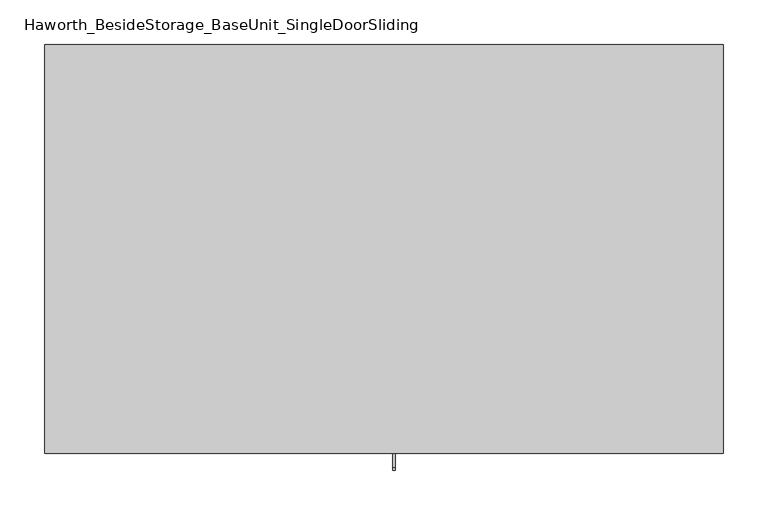
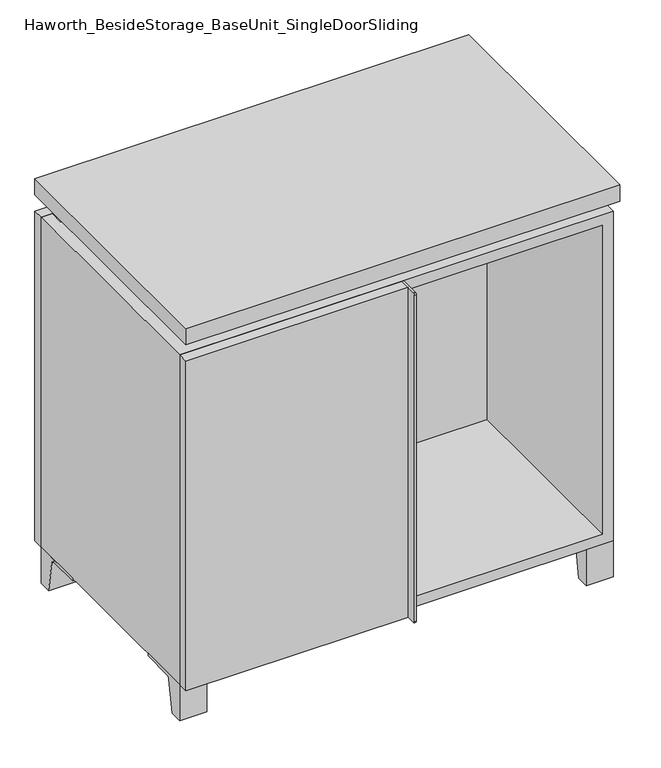
"""IFC4 building model written with IfcOpenShell, lengths in millimetres: furniture geometry, Haworth_BesideStorage_BaseUnit_SingleDoorSliding."""

from ifc_helpers import new_model, si_unit, point, frame, frame_2d, origin, place, context, project, spatial, polyline, circle_curve, trimmed, segment, composite_curve, outline, extrude, faceted_brep, source, transform, mapped, element, save


def haworth_besidestorage_baseunit_singledoorsliding_6c983d45(model_context):
    return source(origin(), model_context, "Body", "SolidModel", [
        extrude(outline(composite_curve([segment(polyline([(-123.2958469, 0.0), (-146.05, 0.0), (-146.05, 66.675), (-50.8, 66.675), (-50.8, 61.8963321), (-107.6005345, 61.8963321)]), True, "CONTINUOUS"), segment(trimmed(circle_curve(frame_2d((-107.6005345, 55.5463321)), 6.35), [point((-107.6005345, 61.8963321))], [point((-113.8641359, 56.5902656))], True, "CARTESIAN"), True, "CONTINUOUS"), segment(polyline([(-113.8641359, 56.5902656), (-123.2958469, 0.0)]), True, "CONTINUOUS")], self_intersect=False)), frame((331.8013906, 0.0, 0.0), z_axis=(1.0, 0.0, 0.0), x_axis=(0.0, 1.0, 0.0)), (0.0, 0.0, 1.0), 47.625),
        extrude(outline(composite_curve([segment(polyline([(250.2958469, 0.0), (240.8641359, 56.5902656)]), True, "CONTINUOUS"), segment(trimmed(circle_curve(frame_2d((234.6005345, 55.5463321)), 6.35), [point((240.8641359, 56.5902656))], [point((234.6005345, 61.8963321))], True, "CARTESIAN"), True, "CONTINUOUS"), segment(polyline([(234.6005345, 61.8963321), (177.8, 61.8963321), (177.8, 66.675), (273.05, 66.675), (273.05, 0.0), (250.2958469, 0.0)]), True, "CONTINUOUS")], self_intersect=False)), frame((331.8013906, 0.0, 0.0), z_axis=(1.0, 0.0, 0.0), x_axis=(0.0, 1.0, 0.0)), (0.0, 0.0, 1.0), 47.625),
        extrude(outline(composite_curve([segment(polyline([(-123.2958469, 0.0), (-146.05, 0.0), (-146.05, 66.675), (-50.8, 66.675), (-50.8, 61.8963321), (-107.6005345, 61.8963321)]), True, "CONTINUOUS"), segment(trimmed(circle_curve(frame_2d((-107.6005345, 55.5463321)), 6.35), [point((-107.6005345, 61.8963321))], [point((-113.8641359, 56.5902656))], True, "CARTESIAN"), True, "CONTINUOUS"), segment(polyline([(-113.8641359, 56.5902656), (-123.2958469, 0.0)]), True, "CONTINUOUS")], self_intersect=False)), frame((-379.3986094, 0.0, 0.0), z_axis=(1.0, 0.0, 0.0), x_axis=(0.0, 1.0, 0.0)), (0.0, 0.0, 1.0), 47.625),
        extrude(outline(composite_curve([segment(polyline([(250.2958469, 0.0), (240.8641359, 56.5902656)]), True, "CONTINUOUS"), segment(trimmed(circle_curve(frame_2d((234.6005345, 55.5463321)), 6.35), [point((240.8641359, 56.5902656))], [point((234.6005345, 61.8963321))], True, "CARTESIAN"), True, "CONTINUOUS"), segment(polyline([(234.6005345, 61.8963321), (177.8, 61.8963321), (177.8, 66.675), (273.05, 66.675), (273.05, 0.0), (250.2958469, 0.0)]), True, "CONTINUOUS")], self_intersect=False)), frame((-379.3986094, 0.0, 0.0), z_axis=(1.0, 0.0, 0.0), x_axis=(0.0, 1.0, 0.0)), (0.0, 0.0, 1.0), 47.625),
        faceted_brep([(-379.3986094, -146.05, 66.675), (379.4125, -146.05, 66.675), (379.4125, -146.05, 676.275), (-379.3986094, -146.05, 676.275), (-360.3486094, -146.05, 85.725), (-360.3486094, -146.05, 657.225), (360.3694453, -146.05, 657.225), (360.3486094, -146.05, 85.725), (-379.3986094, 273.05, 66.675), (-379.3986094, 273.05, 676.275), (-360.3486094, 273.05, 676.275), (-360.3486094, 273.05, 85.725), (360.3486094, 273.05, 85.725), (360.3486094, 273.05, 676.275), (379.4125, 273.05, 676.275), (379.4125, 273.05, 66.675), (360.3486094, 247.65, 676.275), (-360.3416641, 247.65, 676.275), (-360.3486094, 247.65, 657.225), (360.3486094, 247.65, 657.225)], [[[0, 1, 2, 3], [4, 5, 6, 7]], [[8, 9, 10, 11, 12, 13, 14, 15]], [[1, 0, 8, 15]], [[2, 1, 15, 14]], [[3, 2, 14, 13, 16, 17, 10, 9]], [[0, 3, 9, 8]], [[11, 10, 17, 18, 5, 4]], [[13, 12, 7, 6, 19, 16]], [[4, 7, 12, 11]], [[6, 5, 18, 19]], [[17, 16, 19, 18]]]),
        extrude(outline(polyline([(379.4263906, -165.1), (-379.3986094, -165.1), (-379.3986094, 292.1), (379.4263906, 292.1), (379.4263906, -165.1)])), frame((0.0, 0.0, 706.4375), z_axis=(0.0, 0.0, 1.0), x_axis=(1.0, 0.0, 0.0)), (0.0, 0.0, 1.0), 30.1625),
        faceted_brep([(7.9513906, -69.85, 706.4375), (7.9513906, -69.85, 676.275), (7.9513906, 53.975, 676.275), (7.9513906, 53.975, 706.4375), (7.9513906, 196.85, 676.275), (7.9513906, 196.85, 706.4375), (7.9513906, 73.025, 706.4375), (7.9513906, 73.025, 676.275), (-7.9236094, 196.85, 706.4375), (-7.9236094, 196.85, 676.275), (-7.9236094, 73.025, 676.275), (-7.9236094, 73.025, 706.4375), (-7.9236094, -69.85, 676.275), (-7.9236094, -69.85, 706.4375), (-7.9236094, 53.975, 706.4375), (-7.9236094, 53.975, 676.275), (-338.0958281, 73.025, 706.4375), (-338.1166641, 247.65, 706.4375), (-353.9916641, 247.65, 706.4375), (-353.9916641, -120.65, 706.4375), (-338.1166641, -120.65, 706.4375), (-338.1166641, 53.975, 706.4375), (338.1236094, 53.975, 706.4375), (338.1236094, -120.65, 706.4375), (353.9986094, -120.65, 706.4375), (353.9986094, 247.65, 706.4375), (338.1236094, 247.65, 706.4375), (338.1236094, 73.025, 706.4375), (-338.0958281, 53.975, 676.275), (-338.1166641, -120.65, 676.275), (-353.9916641, -120.65, 676.275), (-353.9916641, 247.65, 676.275), (-338.1166641, 247.65, 676.275), (-338.1166641, 73.025, 676.275), (338.1236094, 73.025, 676.275), (338.1236094, 247.65, 676.275), (353.9986094, 247.65, 676.275), (353.9986094, -120.65, 676.275), (338.1236094, -120.65, 676.275), (338.1236094, 53.975, 676.275)], [[[0, 1, 2, 3]], [[4, 5, 6, 7]], [[8, 9, 10, 11]], [[12, 13, 14, 15]], [[5, 8, 11, 16, 17, 18, 19, 20, 21, 14, 13, 0, 3, 22, 23, 24, 25, 26, 27, 6]], [[1, 12, 15, 28, 29, 30, 31, 32, 33, 10, 9, 4, 7, 34, 35, 36, 37, 38, 39, 2]], [[5, 4, 9, 8]], [[1, 0, 13, 12]], [[6, 27, 34, 7]], [[22, 3, 2, 39]], [[20, 29, 28, 21]], [[32, 17, 16, 33]], [[18, 31, 30, 19]], [[29, 20, 19, 30]], [[17, 32, 31, 18]], [[26, 35, 34, 27]], [[38, 23, 22, 39]], [[25, 24, 37, 36]], [[23, 38, 37, 24]], [[35, 26, 25, 36]], [[16, 11, 10, 33]], [[14, 21, 28, 15]]]),
        extrude(outline(polyline([(9.5388906, 203.2), (9.5388906, -146.05), (-9.5111094, -146.05), (-9.5111094, 203.2), (9.5388906, 203.2)])), frame((0.0, 0.0, 85.725), z_axis=(0.0, 0.0, 1.0), x_axis=(1.0, 0.0, 0.0)), (0.0, 0.0, 1.0), 571.5),
        extrude(outline(polyline([(379.4263906, 273.05), (-379.3986094, 273.05), (-379.3986094, 292.1), (379.4263906, 292.1), (379.4263906, 273.05)])), frame((0.0, 0.0, 66.675), z_axis=(0.0, 0.0, 1.0), x_axis=(1.0, 0.0, 0.0)), (0.0, 0.0, 1.0), 609.6),
        extrude(outline(polyline([(-360.3416641, 203.2), (-360.3416641, 209.55), (360.3694453, 209.55), (360.3694453, 203.2), (-360.3416641, 203.2)])), frame((0.0, 0.0, 85.725), z_axis=(0.0, 0.0, 1.0), x_axis=(1.0, 0.0, 0.0)), (0.0, 0.0, 1.0), 571.5),
        extrude(outline(composite_curve([segment(polyline([(-146.05, 676.275), (-146.05, 66.675), (-180.975, 66.675)]), True, "CONTINUOUS"), segment(trimmed(circle_curve(frame_2d((-180.975, 69.85)), 3.175), [point((-180.975, 66.675))], [point((-184.15, 69.85))], False, "CARTESIAN"), True, "CONTINUOUS"), segment(polyline([(-184.15, 69.85), (-184.15, 673.1)]), True, "CONTINUOUS"), segment(trimmed(circle_curve(frame_2d((-180.975, 673.1)), 3.175), [point((-184.15, 673.1))], [point((-180.975, 676.275))], False, "CARTESIAN"), True, "CONTINUOUS"), segment(polyline([(-180.975, 676.275), (-146.05, 676.275)]), True, "CONTINUOUS")], self_intersect=False)), frame((9.5388906, 0.0, 0.0), z_axis=(1.0, 0.0, 0.0), x_axis=(0.0, 1.0, 0.0)), (0.0, 0.0, 1.0), 3.175),
        extrude(outline(polyline([(-379.3986094, -146.05), (9.5388906, -146.05), (9.5388906, -165.1), (-379.3986094, -165.1), (-379.3986094, -146.05)])), frame((0.0, 0.0, 66.675), z_axis=(0.0, 0.0, 1.0), x_axis=(1.0, 0.0, 0.0)), (0.0, 0.0, 1.0), 609.6),
    ])


if __name__ == "__main__":
    model = new_model("IFC4")
    model_context = context("Model", 3, world=origin())
    ifc_project = project(units=[si_unit("LENGTHUNIT", "METRE", prefix="MILLI")], contexts=[model_context])
    site = spatial("IfcSite", under=ifc_project)
    building = spatial("IfcBuilding", under=site)
    placement = place(None, origin())
    haworth_besidestorage_baseunit_singledoorsliding_shape = haworth_besidestorage_baseunit_singledoorsliding_6c983d45(model_context)
    element("IfcFurniture", 1, ObjectType="Haworth_BesideStorage_BaseUnit_SingleDoorSliding", at=placement, inside=building, context=model_context, shape_type="MappedRepresentation", body=[
        mapped(haworth_besidestorage_baseunit_singledoorsliding_shape, transform((0.0, 0.0, 0.0), x_axis=(1.0, 0.0, 0.0), y_axis=(0.0, 1.0, 0.0), z_axis=(0.0, 0.0, 1.0))),
    ])
    save(model, "model.ifc")
